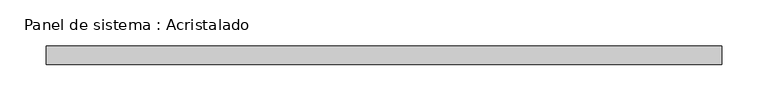
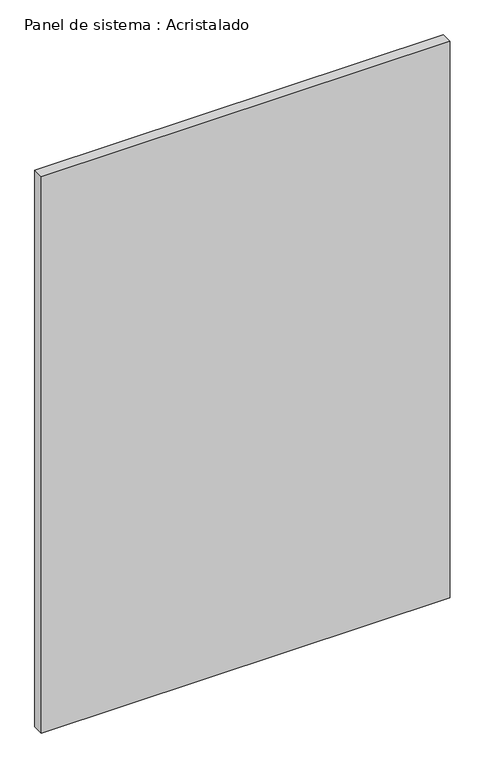
"""IFC4 building model written with IfcOpenShell, lengths in millimetres: plate geometry, Panel de sistema : Acristalado."""

from ifc_helpers import new_model, si_unit, origin, origin_with_axes, place, context, project, spatial, polyline, outline, extrude, source, transform, mapped, element, save


def panel_de_sistema_acristalado_d903da1b(model_context):
    return source(origin(), model_context, "Body", "SweptSolid", [
        extrude(outline(polyline([(365.0, -10.0), (-365.0, -10.0), (-365.0, 10.0), (365.0, 10.0), (365.0, -10.0)])), origin_with_axes(), (0.0, 0.0, 1.0), 1050.0),
    ])


if __name__ == "__main__":
    model = new_model("IFC4")
    model_context = context("Model", 3, world=origin())
    ifc_project = project(units=[si_unit("LENGTHUNIT", "METRE", prefix="MILLI")], contexts=[model_context])
    site = spatial("IfcSite", under=ifc_project)
    building = spatial("IfcBuilding", under=site)
    placement = place(None, origin())
    panel_de_sistema_acristalado_shape = panel_de_sistema_acristalado_d903da1b(model_context)
    element("IfcPlate", 1, ObjectType="Panel de sistema : Acristalado", at=placement, inside=building, context=model_context, shape_type="MappedRepresentation", body=[
        mapped(panel_de_sistema_acristalado_shape, transform((0.0, 0.0, 0.0), x_axis=(1.0, 0.0, 0.0), y_axis=(0.0, 1.0, 0.0), z_axis=(0.0, 0.0, 1.0))),
    ])
    save(model, "model.ifc")
